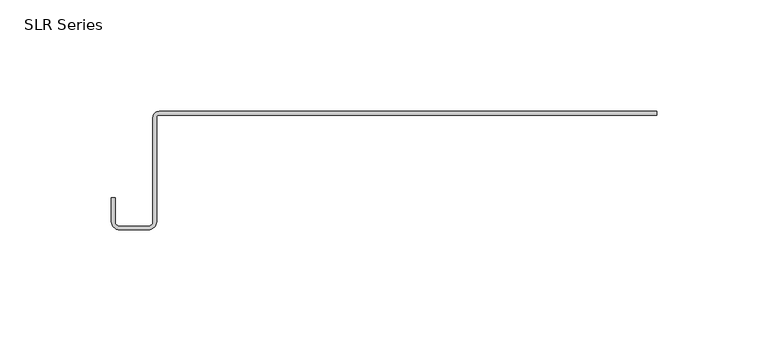
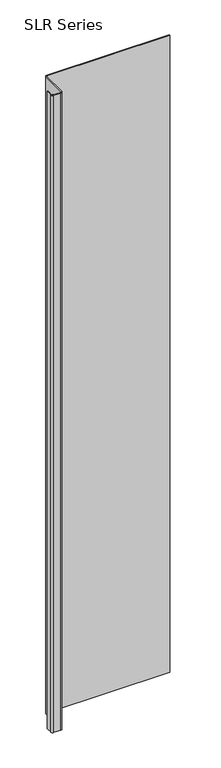
"""IFC4 building model written with IfcOpenShell, lengths in millimetres: plate geometry, SLR Series."""

from ifc_helpers import new_model, si_unit, point, frame_2d, origin, origin_with_axes, place, context, project, spatial, polyline, circle_curve, trimmed, segment, composite_curve, outline, extrude, source, transform, mapped, element, save


def slr_series_95ff126c(model_context):
    return source(origin(), model_context, "Body", "SweptSolid", [
        extrude(outline(composite_curve([segment(trimmed(circle_curve(frame_2d((-109.3429905, -2.7737702)), 1.1560358), [point((-109.3429905, -1.6177343))], [point((-110.4990263, -2.7737702))], True, "CARTESIAN"), True, "CONTINUOUS"), segment(polyline([(-110.4990263, -2.7737702), (-110.4990263, -49.4804807)]), True, "CONTINUOUS"), segment(trimmed(circle_curve(frame_2d((-114.1747192, -49.4804807)), 3.6756929), [point((-110.4990263, -49.4804807))], [point((-114.1747192, -53.1561736))], False, "CARTESIAN"), True, "CONTINUOUS"), segment(polyline([(-114.1747192, -53.1561736), (-127.059329, -53.1561736)]), True, "CONTINUOUS"), segment(trimmed(circle_curve(frame_2d((-127.059329, -49.4804807)), 3.6756929), [point((-127.059329, -53.1561736))], [point((-130.7350219, -49.4804807))], False, "CARTESIAN"), True, "CONTINUOUS"), segment(polyline([(-130.7350219, -49.4804807), (-130.7350219, -38.6538294), (-129.1172875, -38.6538294), (-129.1172875, -49.4804807)]), True, "CONTINUOUS"), segment(trimmed(circle_curve(frame_2d((-127.059329, -49.4804807)), 2.0579585), [point((-129.1172875, -49.4804807))], [point((-127.059329, -51.5384393))], True, "CARTESIAN"), True, "CONTINUOUS"), segment(polyline([(-127.059329, -51.5384393), (-114.1747192, -51.5384393)]), True, "CONTINUOUS"), segment(trimmed(circle_curve(frame_2d((-114.1747192, -49.4804807)), 2.0579585), [point((-114.1747192, -51.5384393))], [point((-112.1167607, -49.4804807))], True, "CARTESIAN"), True, "CONTINUOUS"), segment(polyline([(-112.1167607, -49.4804807), (-112.1167607, -2.7737702)]), True, "CONTINUOUS"), segment(trimmed(circle_curve(frame_2d((-109.3429905, -2.7737702)), 2.7737702), [point((-112.1167607, -2.7737702))], [point((-109.3429905, 0.0))], False, "CARTESIAN"), True, "CONTINUOUS"), segment(polyline([(-109.3429905, 0.0), (113.9042607, 0.0), (113.9042607, -1.6177343), (-109.3429905, -1.6177343)]), True, "CONTINUOUS")], self_intersect=False)), origin_with_axes(), (0.0, 0.0, 1.0), 1228.3559792),
    ])


if __name__ == "__main__":
    model = new_model("IFC4")
    model_context = context("Model", 3, world=origin())
    ifc_project = project(units=[si_unit("LENGTHUNIT", "METRE", prefix="MILLI")], contexts=[model_context])
    site = spatial("IfcSite", under=ifc_project)
    building = spatial("IfcBuilding", under=site)
    placement = place(None, origin())
    slr_series_shape = slr_series_95ff126c(model_context)
    element("IfcPlate", 1, ObjectType="SLR Series", at=placement, inside=building, context=model_context, shape_type="MappedRepresentation", body=[
        mapped(slr_series_shape, transform((0.0, 0.0, 0.0), x_axis=(1.0, 0.0, 0.0), y_axis=(0.0, 1.0, 0.0), z_axis=(0.0, 0.0, 1.0))),
    ])
    save(model, "model.ifc")
